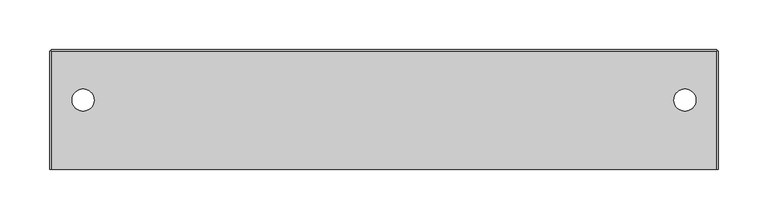
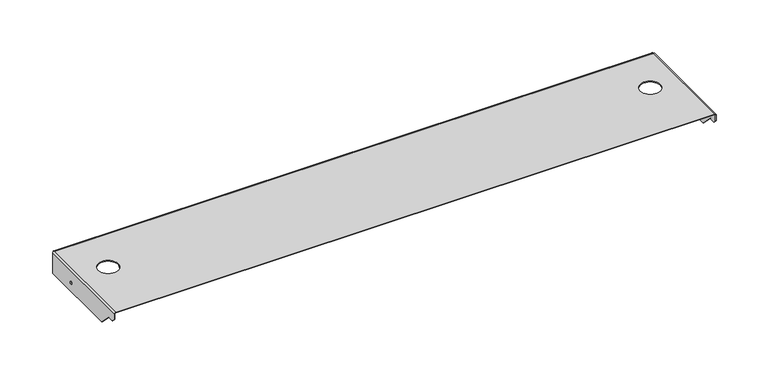
"""IFC4 building model written with IfcOpenShell, lengths in millimetres: proxy geometry."""

from ifc_helpers import new_model, si_unit, frame, origin, place, context, project, spatial, polyline, circle_curve, source, transform, mapped, element, save
from ifc_brep_helpers import plane_surface, cylinder_surface, revolved_surface, advanced_brep


def generic_models_49b21f69(model_context):
    return source(origin(), model_context, "Body", "AdvancedBrep", [
        advanced_brep(
        [(-320.9028007, 140.9233966, 0.85344), (-320.9028007, 140.9233966, 0.0), (-298.6778007, 140.9233966, 0.0), (-298.6778007, 140.9233966, 0.85344), (-925.4888407, 140.9233966, 0.85344), (-925.4888407, 140.9233966, 0.0), (-903.2638407, 140.9233966, 0.0), (-903.2638407, 140.9233966, 0.85344), (-933.6092207, 190.8699566, -12.7), (-933.6092207, 191.7233966, -12.7), (-936.6572207, 191.7233966, -12.7), (-936.6572207, 190.8699566, -12.7), (-729.9393207, 190.8699566, -12.7), (-729.9393207, 191.7233966, -12.7), (-732.9873207, 191.7233966, -12.7), (-732.9873207, 190.8699566, -12.7), (-371.7993207, 190.8699566, -12.7), (-371.7993207, 191.7233966, -12.7), (-374.8473207, 191.7233966, -12.7), (-374.8473207, 190.8699566, -12.7), (-610.5593207, 190.8699566, -12.7), (-610.5593207, 191.7233966, -12.7), (-613.6073207, 191.7233966, -12.7), (-613.6073207, 190.8699566, -12.7), (-491.1793207, 190.8699566, -12.7), (-491.1793207, 191.7233966, -12.7), (-494.2273207, 191.7233966, -12.7), (-494.2273207, 190.8699566, -12.7), (-287.5094207, 190.8699566, -12.7), (-287.5094207, 191.7233966, -12.7), (-290.5574207, 191.7233966, -12.7), (-290.5574207, 190.8699566, -12.7), (-849.3193207, 190.8699566, -12.7), (-849.3193207, 191.7233966, -12.7), (-852.3673207, 191.7233966, -12.7), (-852.3673207, 190.8699566, -12.7), (-946.9797807, 154.4565166, -12.8766498), (-947.8332207, 154.4565166, -12.8766498), (-947.8332207, 154.4565166, -15.9246498), (-946.9797807, 154.4565166, -15.9246498), (-276.3334207, 154.4565166, -12.8766498), (-277.1868607, 154.4565166, -12.8766498), (-277.1868607, 154.4565166, -15.9246498), (-276.3334207, 154.4565166, -15.9246498), (-322.1296207, 190.8699566, -10.54354), (-322.1296207, 191.7233966, -10.54354), (-328.4796207, 191.7233966, -10.54354), (-328.4796207, 190.8699566, -10.54354), (-895.6819407, 190.8699566, -10.54354), (-895.6819407, 191.7233966, -10.54354), (-902.0319407, 191.7233966, -10.54354), (-902.0319407, 190.8699566, -10.54354), (-277.1868607, 74.995699, -11.1876353), (-277.1868607, 81.9008826, -11.1876353), (-276.3334207, 81.9008826, -11.1876353), (-276.3334207, 74.995699, -11.1876353), (-277.1868607, 71.4035966, -7.5955329), (-276.3334207, 71.4035966, -7.5955329), (-276.3334207, 95.2598073, -24.54656), (-277.1868607, 95.2598073, -24.54656), (-946.9797807, 74.995699, -11.1876353), (-946.9797807, 71.4035966, -7.5955329), (-947.8332207, 71.4035966, -7.5955329), (-947.8332207, 74.995699, -11.1876353), (-946.9797807, 81.9008826, -11.1876353), (-947.8332207, 81.9008826, -11.1876353), (-946.9797807, 95.2598073, -24.54656), (-947.8332207, 95.2598073, -24.54656), (-947.8332207, 71.4035966, -0.85344), (-947.8332207, 190.0165166, -0.85344), (-947.8332207, 190.0165166, -24.54656), (-946.9797807, 71.4035966, -0.85344), (-276.3334207, 71.4035966, -0.85344), (-277.1868607, 71.4035966, -0.85344), (-277.1868607, 190.0165166, -24.54656), (-276.3334207, 190.0165166, -24.54656), (-666.0583207, 191.7233966, -24.54656), (-666.0583207, 190.8699566, -24.54656), (-672.4083207, 190.8699566, -24.54656), (-672.4083207, 191.7233966, -24.54656), (-551.7583207, 191.7233966, -24.54656), (-551.7583207, 190.8699566, -24.54656), (-558.1083207, 190.8699566, -24.54656), (-558.1083207, 191.7233966, -24.54656), (-946.1263407, 191.7233966, -24.54656), (-946.1263407, 191.7233966, -0.85344), (-278.0403007, 191.7233966, -0.85344), (-278.0403007, 191.7233966, -24.54656), (-946.1263407, 190.8699566, -24.54656), (-278.0403007, 190.8699566, -24.54656), (-946.1263407, 71.4035966, 0.85344), (-946.1263407, 190.0165166, 0.85344), (-946.9797807, 190.0165166, -0.85344), (-946.9797807, 190.0165166, -24.54656), (-946.1263407, 71.4035966, 0.0), (-946.1263407, 190.0165166, 0.0), (-276.3334207, 190.0165166, -0.85344), (-278.0403007, 190.0165166, 0.85344), (-278.0403007, 71.4035966, 0.85344), (-277.1868607, 190.0165166, -0.85344), (-278.0403007, 190.0165166, 0.0), (-278.0403007, 71.4035966, 0.0), (-946.1263407, 190.8699566, -0.85344), (-278.0403007, 190.8699566, -0.85344)],
        [
            (0, 1),
            (1, 2, circle_curve(frame((-309.7903007, 140.9233966, 0.0), z_axis=(0.0, 0.0, -1.0), x_axis=(-1.0, 0.0, 0.0)), 11.1125)),
            (2, 3),
            (3, 0, circle_curve(frame((-309.7903007, 140.9233966, 0.85344), z_axis=(0.0, 0.0, 1.0), x_axis=(-1.0, 0.0, 0.0)), 11.1125)),
            (4, 5),
            (5, 6, circle_curve(frame((-914.3763407, 140.9233966, 0.0), z_axis=(0.0, 0.0, -1.0), x_axis=(-1.0, 0.0, 0.0)), 11.1125)),
            (6, 7),
            (7, 4, circle_curve(frame((-914.3763407, 140.9233966, 0.85344), z_axis=(0.0, 0.0, 1.0), x_axis=(-1.0, 0.0, 0.0)), 11.1125)),
            (8, 9),
            (9, 10, circle_curve(frame((-935.1332207, 191.7233966, -12.7), z_axis=(0.0, 1.0, 0.0), x_axis=(1.0, 0.0, 0.0)), 1.524)),
            (10, 11),
            (11, 8, circle_curve(frame((-935.1332207, 190.8699566, -12.7), z_axis=(0.0, -1.0, 0.0), x_axis=(1.0, 0.0, 0.0)), 1.524)),
            (12, 13),
            (13, 14, circle_curve(frame((-731.4633207, 191.7233966, -12.7), z_axis=(0.0, 1.0, 0.0), x_axis=(1.0, 0.0, 0.0)), 1.524)),
            (14, 15),
            (15, 12, circle_curve(frame((-731.4633207, 190.8699566, -12.7), z_axis=(0.0, -1.0, 0.0), x_axis=(1.0, 0.0, 0.0)), 1.524)),
            (16, 17),
            (17, 18, circle_curve(frame((-373.3233207, 191.7233966, -12.7), z_axis=(0.0, 1.0, 0.0), x_axis=(1.0, 0.0, 0.0)), 1.524)),
            (18, 19),
            (19, 16, circle_curve(frame((-373.3233207, 190.8699566, -12.7), z_axis=(0.0, -1.0, 0.0), x_axis=(1.0, 0.0, 0.0)), 1.524)),
            (20, 21),
            (21, 22, circle_curve(frame((-612.0833207, 191.7233966, -12.7), z_axis=(0.0, 1.0, 0.0), x_axis=(1.0, 0.0, 0.0)), 1.524)),
            (22, 23),
            (23, 20, circle_curve(frame((-612.0833207, 190.8699566, -12.7), z_axis=(0.0, -1.0, 0.0), x_axis=(1.0, 0.0, 0.0)), 1.524)),
            (24, 25),
            (25, 26, circle_curve(frame((-492.7033207, 191.7233966, -12.7), z_axis=(0.0, 1.0, 0.0), x_axis=(1.0, 0.0, 0.0)), 1.524)),
            (26, 27),
            (27, 24, circle_curve(frame((-492.7033207, 190.8699566, -12.7), z_axis=(0.0, -1.0, 0.0), x_axis=(1.0, 0.0, 0.0)), 1.524)),
            (28, 29),
            (29, 30, circle_curve(frame((-289.0334207, 191.7233966, -12.7), z_axis=(0.0, 1.0, 0.0), x_axis=(1.0, 0.0, 0.0)), 1.524)),
            (30, 31),
            (31, 28, circle_curve(frame((-289.0334207, 190.8699566, -12.7), z_axis=(0.0, -1.0, 0.0), x_axis=(1.0, 0.0, 0.0)), 1.524)),
            (32, 33),
            (33, 34, circle_curve(frame((-850.8433207, 191.7233966, -12.7), z_axis=(0.0, 1.0, 0.0), x_axis=(1.0, 0.0, 0.0)), 1.524)),
            (34, 35),
            (35, 32, circle_curve(frame((-850.8433207, 190.8699566, -12.7), z_axis=(0.0, -1.0, 0.0), x_axis=(1.0, 0.0, 0.0)), 1.524)),
            (36, 37),
            (37, 38, circle_curve(frame((-947.8332207, 154.4565166, -14.4006498), z_axis=(-1.0, 0.0, 0.0), x_axis=(0.0, 0.0, 1.0)), 1.524)),
            (38, 39),
            (39, 36, circle_curve(frame((-946.9797807, 154.4565166, -14.4006498), z_axis=(1.0, 0.0, 0.0), x_axis=(0.0, 0.0, 1.0)), 1.524)),
            (40, 41),
            (41, 42, circle_curve(frame((-277.1868607, 154.4565166, -14.4006498), z_axis=(-1.0, 0.0, 0.0), x_axis=(0.0, 0.0, 1.0)), 1.524)),
            (42, 43),
            (43, 40, circle_curve(frame((-276.3334207, 154.4565166, -14.4006498), z_axis=(1.0, 0.0, 0.0), x_axis=(0.0, 0.0, 1.0)), 1.524)),
            (44, 45),
            (45, 46, circle_curve(frame((-325.3046207, 191.7233966, -10.54354), z_axis=(0.0, 1.0, 0.0), x_axis=(1.0, 0.0, 0.0)), 3.175)),
            (46, 47),
            (47, 44, circle_curve(frame((-325.3046207, 190.8699566, -10.54354), z_axis=(0.0, -1.0, 0.0), x_axis=(1.0, 0.0, 0.0)), 3.175)),
            (48, 49),
            (49, 50, circle_curve(frame((-898.8569407, 191.7233966, -10.54354), z_axis=(0.0, 1.0, 0.0), x_axis=(1.0, 0.0, 0.0)), 3.175)),
            (50, 51),
            (51, 48, circle_curve(frame((-898.8569407, 190.8699566, -10.54354), z_axis=(0.0, -1.0, 0.0), x_axis=(1.0, 0.0, 0.0)), 3.175)),
            (52, 53),
            (53, 54),
            (54, 55),
            (55, 52),
            (56, 52),
            (55, 57),
            (57, 56),
            (58, 54),
            (53, 59),
            (59, 58),
            (60, 61),
            (61, 62),
            (62, 63),
            (63, 60),
            (64, 60),
            (63, 65),
            (65, 64),
            (66, 64),
            (65, 67),
            (67, 66),
            (62, 68),
            (68, 69),
            (69, 70),
            (70, 67),
            (37, 38, circle_curve(frame((-947.8332207, 154.4565166, -14.4006498), z_axis=(1.0, 0.0, 0.0), x_axis=(0.0, 0.0, 1.0)), 1.524)),
            (61, 71),
            (71, 68),
            (57, 72),
            (72, 73),
            (73, 56),
            (59, 74),
            (74, 75),
            (75, 58),
            (76, 77),
            (77, 78, circle_curve(frame((-669.2333207, 190.8699566, -24.54656), z_axis=(0.0, -1.0, 0.0), x_axis=(1.0, 0.0, 0.0)), 3.175)),
            (78, 79),
            (79, 76, circle_curve(frame((-669.2333207, 191.7233966, -24.54656), z_axis=(0.0, 1.0, 0.0), x_axis=(1.0, 0.0, 0.0)), 3.175)),
            (80, 81),
            (81, 82, circle_curve(frame((-554.9333207, 190.8699566, -24.54656), z_axis=(0.0, -1.0, 0.0), x_axis=(1.0, 0.0, 0.0)), 3.175)),
            (82, 83),
            (83, 80, circle_curve(frame((-554.9333207, 191.7233966, -24.54656), z_axis=(0.0, 1.0, 0.0), x_axis=(1.0, 0.0, 0.0)), 3.175)),
            (79, 84),
            (84, 85),
            (85, 86),
            (86, 87),
            (87, 80),
            (83, 76),
            (9, 10, circle_curve(frame((-935.1332207, 191.7233966, -12.7), z_axis=(0.0, -1.0, 0.0), x_axis=(1.0, 0.0, 0.0)), 1.524)),
            (13, 14, circle_curve(frame((-731.4633207, 191.7233966, -12.7), z_axis=(0.0, -1.0, 0.0), x_axis=(1.0, 0.0, 0.0)), 1.524)),
            (17, 18, circle_curve(frame((-373.3233207, 191.7233966, -12.7), z_axis=(0.0, -1.0, 0.0), x_axis=(1.0, 0.0, 0.0)), 1.524)),
            (21, 22, circle_curve(frame((-612.0833207, 191.7233966, -12.7), z_axis=(0.0, -1.0, 0.0), x_axis=(1.0, 0.0, 0.0)), 1.524)),
            (25, 26, circle_curve(frame((-492.7033207, 191.7233966, -12.7), z_axis=(0.0, -1.0, 0.0), x_axis=(1.0, 0.0, 0.0)), 1.524)),
            (29, 30, circle_curve(frame((-289.0334207, 191.7233966, -12.7), z_axis=(0.0, -1.0, 0.0), x_axis=(1.0, 0.0, 0.0)), 1.524)),
            (33, 34, circle_curve(frame((-850.8433207, 191.7233966, -12.7), z_axis=(0.0, -1.0, 0.0), x_axis=(1.0, 0.0, 0.0)), 1.524)),
            (45, 46, circle_curve(frame((-325.3046207, 191.7233966, -10.54354), z_axis=(0.0, -1.0, 0.0), x_axis=(1.0, 0.0, 0.0)), 3.175)),
            (49, 50, circle_curve(frame((-898.8569407, 191.7233966, -10.54354), z_axis=(0.0, -1.0, 0.0), x_axis=(1.0, 0.0, 0.0)), 3.175)),
            (78, 88),
            (88, 84),
            (87, 89),
            (89, 81),
            (48, 51, circle_curve(frame((-898.8569407, 190.8699566, -10.54354), z_axis=(0.0, -1.0, 0.0), x_axis=(1.0, 0.0, 0.0)), 3.175)),
            (44, 47, circle_curve(frame((-325.3046207, 190.8699566, -10.54354), z_axis=(0.0, -1.0, 0.0), x_axis=(1.0, 0.0, 0.0)), 3.175)),
            (40, 43, circle_curve(frame((-276.3334207, 154.4565166, -14.4006498), z_axis=(1.0, 0.0, 0.0), x_axis=(0.0, 0.0, 1.0)), 1.524)),
            (42, 41, circle_curve(frame((-277.1868607, 154.4565166, -14.4006498), z_axis=(-1.0, 0.0, 0.0), x_axis=(0.0, 0.0, 1.0)), 1.524)),
            (36, 39, circle_curve(frame((-946.9797807, 154.4565166, -14.4006498), z_axis=(1.0, 0.0, 0.0), x_axis=(0.0, 0.0, 1.0)), 1.524)),
            (32, 35, circle_curve(frame((-850.8433207, 190.8699566, -12.7), z_axis=(0.0, -1.0, 0.0), x_axis=(1.0, 0.0, 0.0)), 1.524)),
            (28, 31, circle_curve(frame((-289.0334207, 190.8699566, -12.7), z_axis=(0.0, -1.0, 0.0), x_axis=(1.0, 0.0, 0.0)), 1.524)),
            (24, 27, circle_curve(frame((-492.7033207, 190.8699566, -12.7), z_axis=(0.0, -1.0, 0.0), x_axis=(1.0, 0.0, 0.0)), 1.524)),
            (20, 23, circle_curve(frame((-612.0833207, 190.8699566, -12.7), z_axis=(0.0, -1.0, 0.0), x_axis=(1.0, 0.0, 0.0)), 1.524)),
            (16, 19, circle_curve(frame((-373.3233207, 190.8699566, -12.7), z_axis=(0.0, -1.0, 0.0), x_axis=(1.0, 0.0, 0.0)), 1.524)),
            (12, 15, circle_curve(frame((-731.4633207, 190.8699566, -12.7), z_axis=(0.0, -1.0, 0.0), x_axis=(1.0, 0.0, 0.0)), 1.524)),
            (8, 11, circle_curve(frame((-935.1332207, 190.8699566, -12.7), z_axis=(0.0, -1.0, 0.0), x_axis=(1.0, 0.0, 0.0)), 1.524)),
            (68, 90, circle_curve(frame((-946.1263407, 71.4035966, -0.85344), z_axis=(0.0, 1.0, 0.0), x_axis=(0.0, 0.0, 1.0)), 1.70688)),
            (90, 91),
            (91, 69, circle_curve(frame((-946.1263407, 190.0165166, -0.85344), z_axis=(0.0, -1.0, 0.0), x_axis=(0.0, 0.0, 1.0)), 1.70688)),
            (69, 92),
            (92, 93),
            (93, 70),
            (66, 93),
            (92, 71),
            (71, 94, circle_curve(frame((-946.1263407, 71.4035966, -0.85344), z_axis=(0.0, 1.0, 0.0), x_axis=(0.0, 0.0, 1.0)), 0.85344)),
            (94, 90),
            (91, 95),
            (95, 92, circle_curve(frame((-946.1263407, 190.0165166, -0.85344), z_axis=(0.0, -1.0, 0.0), x_axis=(0.0, 0.0, 1.0)), 0.85344)),
            (95, 94),
            (72, 96),
            (96, 97, circle_curve(frame((-278.0403007, 190.0165166, -0.85344), z_axis=(0.0, -1.0, 0.0), x_axis=(0.0, 0.0, 1.0)), 1.70688)),
            (97, 98),
            (98, 72, circle_curve(frame((-278.0403007, 71.4035966, -0.85344), z_axis=(0.0, 1.0, 0.0), x_axis=(0.0, 0.0, 1.0)), 1.70688)),
            (73, 99),
            (99, 74),
            (96, 99),
            (99, 100, circle_curve(frame((-278.0403007, 190.0165166, -0.85344), z_axis=(0.0, -1.0, 0.0), x_axis=(0.0, 0.0, 1.0)), 0.85344)),
            (100, 97),
            (98, 101),
            (101, 73, circle_curve(frame((-278.0403007, 71.4035966, -0.85344), z_axis=(0.0, 1.0, 0.0), x_axis=(0.0, 0.0, 1.0)), 0.85344)),
            (96, 75),
            (101, 100),
            (85, 91, circle_curve(frame((-946.1263407, 190.0165166, -0.85344), z_axis=(1.0, 0.0, 0.0), x_axis=(0.0, 0.0, 1.0)), 1.70688)),
            (91, 97),
            (97, 86, circle_curve(frame((-278.0403007, 190.0165166, -0.85344), z_axis=(-1.0, 0.0, 0.0), x_axis=(0.0, 0.0, 1.0)), 1.70688)),
            (95, 102, circle_curve(frame((-946.1263407, 190.0165166, -0.85344), z_axis=(-1.0, 0.0, 0.0), x_axis=(0.0, 0.0, 1.0)), 0.85344)),
            (102, 103),
            (103, 100, circle_curve(frame((-278.0403007, 190.0165166, -0.85344), z_axis=(1.0, 0.0, 0.0), x_axis=(0.0, 0.0, 1.0)), 0.85344)),
            (100, 95),
            (90, 98),
            (3, 0, circle_curve(frame((-309.7903007, 140.9233966, 0.85344), z_axis=(0.0, 0.0, -1.0), x_axis=(-1.0, 0.0, 0.0)), 11.1125)),
            (7, 4, circle_curve(frame((-914.3763407, 140.9233966, 0.85344), z_axis=(0.0, 0.0, -1.0), x_axis=(-1.0, 0.0, 0.0)), 11.1125)),
            (94, 101),
            (6, 5, circle_curve(frame((-914.3763407, 140.9233966, 0.0), z_axis=(0.0, 0.0, -1.0), x_axis=(-1.0, 0.0, 0.0)), 11.1125)),
            (2, 1, circle_curve(frame((-309.7903007, 140.9233966, 0.0), z_axis=(0.0, 0.0, -1.0), x_axis=(-1.0, 0.0, 0.0)), 11.1125)),
            (103, 89),
            (77, 82),
            (102, 88),
        ],
        [
            revolved_surface(polyline([(-320.9028007, 140.9233966, 0.0), (-320.9028007, 140.9233966, 0.85344)]), (-309.7903007, 140.9233966, 0.42672), (0.0, 0.0, -1.0)),
            revolved_surface(polyline([(-925.4888407, 140.9233966, 0.0), (-925.4888407, 140.9233966, 0.85344)]), (-914.3763407, 140.9233966, 0.42672), (0.0, 0.0, -1.0)),
            revolved_surface(polyline([(-933.6092207, 191.7233966, -12.7), (-933.6092207, 190.8699566, -12.7)]), (-935.1332207, 191.2966766, -12.7), (0.0, 1.0, 0.0)),
            revolved_surface(polyline([(-729.9393207, 191.7233966, -12.7), (-729.9393207, 190.8699566, -12.7)]), (-731.4633207, 191.2966766, -12.7), (0.0, 1.0, 0.0)),
            revolved_surface(polyline([(-371.7993207, 191.7233966, -12.7), (-371.7993207, 190.8699566, -12.7)]), (-373.3233207, 191.2966766, -12.7), (0.0, 1.0, 0.0)),
            revolved_surface(polyline([(-610.5593207, 191.7233966, -12.7), (-610.5593207, 190.8699566, -12.7)]), (-612.0833207, 191.2966766, -12.7), (0.0, 1.0, 0.0)),
            revolved_surface(polyline([(-491.1793207, 191.7233966, -12.7), (-491.1793207, 190.8699566, -12.7)]), (-492.7033207, 191.2966766, -12.7), (0.0, 1.0, 0.0)),
            revolved_surface(polyline([(-287.5094207, 191.7233966, -12.7), (-287.5094207, 190.8699566, -12.7)]), (-289.0334207, 191.2966766, -12.7), (0.0, 1.0, 0.0)),
            revolved_surface(polyline([(-849.3193207, 191.7233966, -12.7), (-849.3193207, 190.8699566, -12.7)]), (-850.8433207, 191.2966766, -12.7), (0.0, 1.0, 0.0)),
            revolved_surface(polyline([(-947.8332207, 154.4565166, -12.8766498), (-946.9797807, 154.4565166, -12.8766498)]), (-265.1663945, 154.4565166, -14.4006498), (-1.0, 0.0, 0.0)),
            revolved_surface(polyline([(-277.1868607, 154.4565166, -12.8766498), (-276.3334207, 154.4565166, -12.8766498)]), (-265.1663945, 154.4565166, -14.4006498), (-1.0, 0.0, 0.0)),
            revolved_surface(polyline([(-322.1296207, 191.7233966, -10.54354), (-322.1296207, 190.8699566, -10.54354)]), (-325.3046207, 191.2966766, -10.54354), (0.0, 1.0, 0.0)),
            revolved_surface(polyline([(-895.6819407, 191.7233966, -10.54354), (-895.6819407, 190.8699566, -10.54354)]), (-898.8569407, 191.2966766, -10.54354), (0.0, 1.0, 0.0)),
            plane_surface(frame((-947.8332207, 81.9008826, -11.1876353), z_axis=(0.0, 0.0, -1.0), x_axis=(0.0, -1.0, 0.0))),
            plane_surface(frame((-947.8332207, 74.995699, -11.1876353), z_axis=(0.0, -0.7071067811865509, -0.7071067811865441), x_axis=(0.0, -0.7071067811865441, 0.7071067811865509))),
            plane_surface(frame((-947.8332207, 95.2598073, -24.54656), z_axis=(0.0, -0.7071067811865507, -0.7071067811865445), x_axis=(0.0, -0.7071067811865445, 0.7071067811865507))),
            plane_surface(frame((-947.8332207, 130.7100566, -11.7347821), z_axis=(-1.0, 0.0, 0.0), x_axis=(0.0, 0.0, 1.0))),
            plane_surface(frame((-946.9797807, 71.4035966, -0.85344), z_axis=(0.0, -1.0, 0.0), x_axis=(1.0, 0.0, 0.0))),
            plane_surface(frame((-277.1868607, 71.4035966, -0.85344), z_axis=(0.0, -1.0, 0.0), x_axis=(-1.0, 0.0, 0.0))),
            plane_surface(frame((-277.1868607, 190.0165166, -24.54656), z_axis=(0.0, 0.0, -1.0), x_axis=(-1.0, 0.0, 0.0))),
            revolved_surface(polyline([(-666.0583207000001, 191.7233966, -24.54656), (-666.0583207000001, 190.8699566, -24.54656)]), (-669.2333207, 191.2966766, -24.54656), (0.0, 1.0, 0.0)),
            revolved_surface(polyline([(-551.7583207, 191.7233966, -24.54656), (-551.7583207, 190.8699566, -24.54656)]), (-554.9333207, 191.2966766, -24.54656), (0.0, 1.0, 0.0)),
            plane_surface(frame((-612.0833207, 191.7233966, -11.7347821), z_axis=(0.0, 1.0, 0.0), x_axis=(1.0, 0.0, 0.0))),
            plane_surface(frame((-947.8332207, 190.8699566, -24.54656), z_axis=(0.0, 0.0, -1.0), x_axis=(0.0, 1.0, 0.0))),
            cylinder_surface(frame((-946.1263407, 130.7100566, -0.85344), z_axis=(0.0, -1.0, 0.0), x_axis=(0.0, 0.0, 1.0)), 1.70688),
            plane_surface(frame((-946.9797807, 190.0165166, -0.85344), z_axis=(0.0, 1.0, 0.0), x_axis=(-1.0, 0.0, 0.0))),
            plane_surface(frame((-946.9797807, 130.7100566, -11.7347821), z_axis=(1.0, 0.0, 0.0), x_axis=(0.0, 0.0, 1.0))),
            plane_surface(frame((-946.9797807, 71.4035966, -0.85344), z_axis=(0.0, -1.0, 0.0), x_axis=(0.0, 0.0, -1.0))),
            plane_surface(frame((-947.8332207, 190.0165166, -0.85344), z_axis=(0.0, 1.0, 0.0), x_axis=(0.0, 0.0, 1.0))),
            plane_surface(frame((-946.9797807, 71.4035966, -24.54656), z_axis=(0.0, 0.0, -1.0), x_axis=(-1.0, 0.0, 0.0))),
            revolved_surface(polyline([(-946.1263407, 71.4035966, 0.0), (-946.1263407, 190.0165166, 0.0)]), (-946.1263407, 130.7100566, -0.85344), (0.0, -1.0, 0.0)),
            cylinder_surface(frame((-278.0403007, 130.7100566, -0.85344), z_axis=(0.0, 1.0, 0.0), x_axis=(0.0, 0.0, 1.0)), 1.70688),
            plane_surface(frame((-277.1868607, 130.7100566, -11.7347821), z_axis=(-1.0, 0.0, 0.0), x_axis=(0.0, 0.0, -1.0))),
            plane_surface(frame((-277.1868607, 190.0165166, -0.85344), z_axis=(0.0, 1.0, 0.0), x_axis=(0.0, 0.0, 1.0))),
            plane_surface(frame((-276.3334207, 71.4035966, -0.85344), z_axis=(0.0, -1.0, 0.0), x_axis=(0.0, 0.0, -1.0))),
            plane_surface(frame((-277.1868607, 190.0165166, -0.85344), z_axis=(0.0, 1.0, 0.0), x_axis=(1.0, 0.0, 0.0))),
            plane_surface(frame((-276.3334207, 130.7100566, -11.7347821), z_axis=(1.0, 0.0, 0.0), x_axis=(0.0, 0.0, -1.0))),
            revolved_surface(polyline([(-278.0403007, 190.0165166, 0.0), (-278.0403007, 71.4035966, 0.0)]), (-278.0403007, 130.7100566, -0.85344), (0.0, 1.0, 0.0)),
            cylinder_surface(frame((-612.0833207, 190.0165166, -0.85344), z_axis=(-1.0, 0.0, 0.0), x_axis=(0.0, 0.0, 1.0)), 1.70688),
            revolved_surface(polyline([(-946.1263407, 190.0165166, 0.0), (-278.0403007, 190.0165166, 0.0)]), (-612.0833207, 190.0165166, -0.85344), (-1.0, 0.0, 0.0)),
            plane_surface(frame((-612.0833207, 131.5634966, 0.85344), z_axis=(0.0, 0.0, 1.0), x_axis=(1.0, 0.0, 0.0))),
            plane_surface(frame((-276.3334207, 71.4035966, 0.0), z_axis=(0.0, -1.0, 0.0), x_axis=(0.0, 0.0, -1.0))),
            plane_surface(frame((-278.0403007, 190.8699566, -0.85344), z_axis=(1.0, 0.0, 0.0), x_axis=(0.0, -1.0, 0.0))),
            plane_surface(frame((-612.0833207, 190.8699566, -11.7347821), z_axis=(0.0, -1.0, 0.0), x_axis=(1.0, 0.0, 0.0))),
            plane_surface(frame((-946.1263407, 190.8699566, -0.85344), z_axis=(-1.0, 0.0, 0.0), x_axis=(0.0, 1.0, 0.0))),
            plane_surface(frame((-612.0833207, 131.5634966, 0.0), z_axis=(0.0, 0.0, -1.0), x_axis=(1.0, 0.0, 0.0))),
        ],
        [
            (0, [[1, 2, 3, 4]]),
            (1, [[5, 6, 7, 8]]),
            (2, [[9, 10, 11, 12]]),
            (3, [[13, 14, 15, 16]]),
            (4, [[17, 18, 19, 20]]),
            (5, [[21, 22, 23, 24]]),
            (6, [[25, 26, 27, 28]]),
            (7, [[29, 30, 31, 32]]),
            (8, [[33, 34, 35, 36]]),
            (9, [[37, 38, 39, 40]]),
            (10, [[41, 42, 43, 44]]),
            (11, [[45, 46, 47, 48]]),
            (12, [[49, 50, 51, 52]]),
            (13, [[53, 54, 55, 56]]),
            (14, [[57, -56, 58, 59]]),
            (15, [[60, -54, 61, 62]]),
            (14, [[63, 64, 65, 66]]),
            (13, [[67, -66, 68, 69]]),
            (15, [[70, -69, 71, 72]]),
            (16, [[-71, -68, -65, 73, 74, 75, 76], [77, -38]]),
            (17, [[-64, 78, 79, -73]]),
            (18, [[-59, 80, 81, 82]]),
            (19, [[-62, 83, 84, 85]]),
            (20, [[86, 87, 88, 89]]),
            (21, [[90, 91, 92, 93]]),
            (22, [[-89, 94, 95, 96, 97, 98, -93, 99], [100, -10], [101, -14], [102, -18], [103, -22], [104, -26], [105, -30], [106, -34], [107, -46], [108, -50]]),
            (23, [[-88, 109, 110, -94]]),
            (23, [[-90, -98, 111, 112]]),
            (12, [[-49, 113, -51, -108]]),
            (11, [[-45, 114, -47, -107]]),
            (10, [[-41, 115, -43, 116]]),
            (9, [[-37, 117, -39, -77]]),
            (8, [[-33, 118, -35, -106]]),
            (7, [[-29, 119, -31, -105]]),
            (6, [[-25, 120, -27, -104]]),
            (5, [[-21, 121, -23, -103]]),
            (4, [[-17, 122, -19, -102]]),
            (3, [[-13, 123, -15, -101]]),
            (2, [[-9, 124, -11, -100]]),
            (24, [[-74, 125, 126, 127]]),
            (25, [[128, 129, 130, -75]]),
            (26, [[-70, 131, -129, 132, -78, -63, -67], [-117, -40]]),
            (27, [[-79, 133, 134, -125]]),
            (28, [[-128, -127, 135, 136]]),
            (29, [[-72, -76, -130, -131]]),
            (30, [[-132, -136, 137, -133]]),
            (31, [[138, 139, 140, 141]]),
            (32, [[-57, -82, 142, 143, -83, -61, -53], [-42, -116]]),
            (33, [[144, 145, 146, -139]]),
            (34, [[-81, -141, 147, 148]]),
            (35, [[-144, 149, -84, -143]]),
            (36, [[-60, -85, -149, -138, -80, -58, -55], [-115, -44]]),
            (37, [[-142, -148, 150, -145]]),
            (38, [[151, 152, 153, -96]]),
            (39, [[154, 155, 156, 157]]),
            (40, [[-126, 158, -140, -152], [-4, 159], [-8, 160]]),
            (41, [[-134, 161, -147, -158]]),
            (1, [[-5, -160, -7, 162]]),
            (0, [[-1, -159, -3, 163]]),
            (42, [[164, -111, -97, -153, -146, -156]]),
            (43, [[-87, 165, -91, -112, -164, -155, 166, -109], [-12, -124], [-16, -123], [-20, -122], [-24, -121], [-28, -120], [-32, -119], [-36, -118], [-48, -114], [-52, -113]]),
            (44, [[-95, -110, -166, -154, -135, -151]]),
            (23, [[-86, -99, -92, -165]]),
            (45, [[-137, -157, -150, -161], [-162, -6], [-163, -2]]),
        ],
    ),
    ])


if __name__ == "__main__":
    model = new_model("IFC4")
    model_context = context("Model", 3, world=origin())
    ifc_project = project(units=[si_unit("LENGTHUNIT", "METRE", prefix="MILLI")], contexts=[model_context])
    site = spatial("IfcSite", under=ifc_project)
    building = spatial("IfcBuilding", under=site)
    placement = place(None, origin())
    generic_models_shape = generic_models_49b21f69(model_context)
    element("IfcBuildingElementProxy", 1, Name="Generic Models", at=placement, inside=building, context=model_context, shape_type="MappedRepresentation", body=[
        mapped(generic_models_shape, transform((0.0, 0.0, 0.0), x_axis=(1.0, 0.0, 0.0), y_axis=(0.0, 1.0, 0.0), z_axis=(0.0, 0.0, 1.0))),
    ])
    save(model, "model.ifc")
